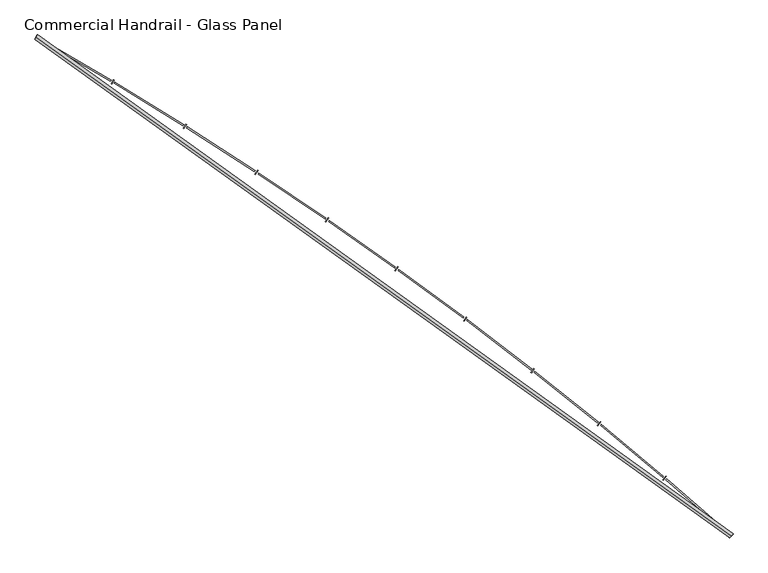
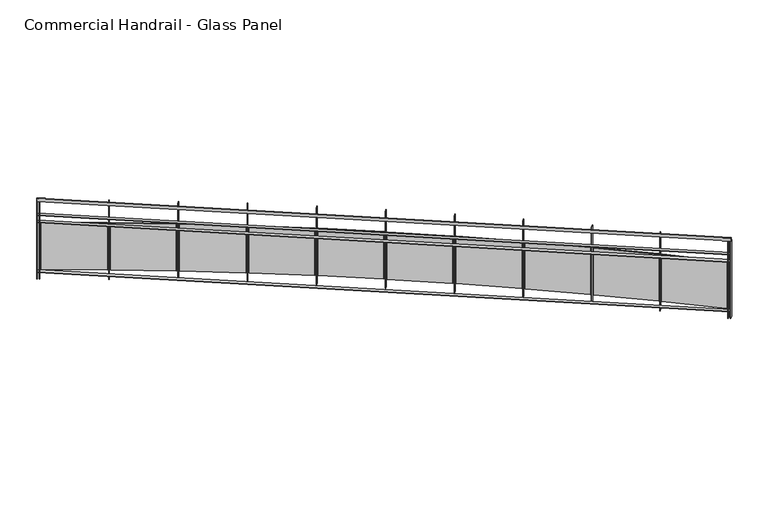
"""IFC4 building model written with IfcOpenShell, lengths in millimetres: railing geometry, Commercial Handrail - Glass Panel."""

from ifc_helpers import new_model, si_unit, point, frame, origin, place, context, project, spatial, polyline, circle_curve, ellipse_curve, trimmed, outline, extrude, source, transform, mapped, element, save
from ifc_brep_helpers import plane_surface, cylinder_surface, revolved_surface, advanced_brep


def commercial_handrail_glass_panel_4db1b75b(model_context):
    return source(origin(), model_context, "Body", "SolidModel", [
        advanced_brep(
        [(167549.0741026, -21421.502679, 33282.5), (161013.6212135, -16726.1286002, 33282.5), (161013.6212135, -16726.1286002, 33317.5), (167549.0741026, -21421.502679, 33317.5)],
        [
            (0, 1, circle_curve(frame((141448.4989992, -50854.6714836, 33282.5), z_axis=(0.0, 0.0, 1.0), x_axis=(0.4973475894068907, 0.8675513675346002, 0.0)), 39338.9304203)),
            (1, 2, ellipse_curve(frame((161013.6212135, -16726.1286002, 33300.0), z_axis=(0.8675513675345968, -0.4973475894068965, 0.0), x_axis=(-0.4973475894068965, -0.8675513675345968, 0.0)), 25.0, 17.5)),
            (2, 3, circle_curve(frame((141448.4989992, -50854.6714836, 33317.5), z_axis=(0.0, 0.0, -1.0), x_axis=(0.4973475894068907, 0.8675513675346002, 0.0)), 39338.9304203)),
            (3, 0, ellipse_curve(frame((167549.0741026, -21421.502679, 33300.0), z_axis=(-0.7481944346262088, 0.6634795309535689, 0.0), x_axis=(-0.6634795309535689, -0.7481944346262088, 0.0)), 25.0, 17.5)),
            (2, 1, ellipse_curve(frame((161013.6212135, -16726.1286002, 33300.0), z_axis=(0.8675513675345968, -0.4973475894068965, 0.0), x_axis=(-0.4973475894068965, -0.8675513675345968, 0.0)), 25.0, 17.5)),
            (0, 3, ellipse_curve(frame((167549.0741026, -21421.502679, 33300.0), z_axis=(-0.7481944346262088, 0.6634795309535689, 0.0), x_axis=(-0.6634795309535689, -0.7481944346262088, 0.0)), 25.0, 17.5)),
        ],
        [
            revolved_surface(trimmed(ellipse_curve(frame((161013.6212135, -16726.1286002, 33300.0), z_axis=(-0.8675513675346002, 0.4973475894068907, 0.0), x_axis=(0.0, 0.0, -1.0)), 17.5, 25.0), [point((161013.6212135, -16726.1286002, 33317.5))], [point((161013.6212135, -16726.1286002, 33282.5))], True, "CARTESIAN"), (141448.4989992, -50854.6714836, 33300.0), (0.0, 0.0, -1.0)),
            revolved_surface(trimmed(ellipse_curve(frame((161013.6212135, -16726.1286002, 33300.0), z_axis=(-0.8675513675346002, 0.4973475894068907, 0.0), x_axis=(0.0, 0.0, -1.0)), 17.5, 25.0), [point((161013.6212135, -16726.1286002, 33282.5))], [point((161013.6212135, -16726.1286002, 33317.5))], True, "CARTESIAN"), (141448.4989992, -50854.6714836, 33300.0), (0.0, 0.0, -1.0)),
            plane_surface(frame((161013.6212135, -16726.1286002, 33300.0), z_axis=(-0.8675513675346002, 0.4973475894068907, 0.0), x_axis=(0.4973475894068907, 0.8675513675346002, 0.0))),
            plane_surface(frame((167549.0741026, -21421.502679, 33300.0), z_axis=(0.7481944346262088, -0.663479530953569, 0.0), x_axis=(0.663479530953569, 0.7481944346262088, 0.0))),
        ],
        [
            (0, [[1, 2, 3, 4]]),
            (1, [[-3, 5, -1, 6]]),
            (2, [[-2, -5]]),
            (3, [[-6, -4]]),
        ],
    ),
        advanced_brep(
        [(167564.0023921, -21404.6683042, 33100.0), (161024.8115343, -16706.6086944, 33100.0), (161002.4308928, -16745.6485059, 33100.0), (167534.1458132, -21438.3370538, 33100.0), (167564.0023921, -21404.6683042, 33094.0), (161024.8115343, -16706.6086944, 33094.0), (167534.1458132, -21438.3370538, 33094.0), (161002.4308928, -16745.6485059, 33094.0)],
        [
            (0, 1, circle_curve(frame((141448.4989992, -50854.6714836, 33100.0), z_axis=(0.0, 0.0, 1.0), x_axis=(0.4973475894068907, 0.8675513675346002, 0.0)), 39361.4304203)),
            (1, 2),
            (2, 3, circle_curve(frame((141448.4989992, -50854.6714836, 33100.0), z_axis=(0.0, 0.0, -1.0), x_axis=(0.4973475894068907, 0.8675513675346002, 0.0)), 39316.4304203)),
            (3, 0),
            (4, 5, circle_curve(frame((141448.4989992, -50854.6714836, 33094.0), z_axis=(0.0, 0.0, 1.0), x_axis=(0.4973475894068907, 0.8675513675346002, 0.0)), 39361.4304203)),
            (5, 1),
            (0, 4),
            (6, 7, circle_curve(frame((141448.4989992, -50854.6714836, 33094.0), z_axis=(0.0, 0.0, 1.0), x_axis=(0.4973475894068907, 0.8675513675346002, 0.0)), 39316.4304203)),
            (7, 5),
            (4, 6),
            (2, 7),
            (6, 3),
        ],
        [
            plane_surface(frame((141448.4989992, -50854.6714836, 33100.0), z_axis=(0.0, 0.0, 1.0), x_axis=(0.4973475894068907, 0.8675513675346002, 0.0))),
            cylinder_surface(frame((141448.4989992, -50854.6714836, 33100.0), z_axis=(0.0, 0.0, -1.0), x_axis=(0.4973475894068907, 0.8675513675346002, 0.0)), 39361.4304203),
            plane_surface(frame((141448.4989992, -50854.6714836, 33094.0), z_axis=(0.0, 0.0, -1.0), x_axis=(0.4973475894068907, 0.8675513675346002, 0.0))),
            revolved_surface(polyline([(161002.43089281995, -16745.64850588978, 33094.0), (161002.43089281995, -16745.64850588978, 33100.0)]), (141448.4989992, -50854.6714836, 33100.0), (0.0, 0.0, -1.0)),
            plane_surface(frame((161013.6212135, -16726.1286002, 33100.0), z_axis=(-0.8675513675346002, 0.4973475894068907, 0.0), x_axis=(0.4973475894068907, 0.8675513675346002, 0.0))),
            plane_surface(frame((167549.0741026, -21421.502679, 33100.0), z_axis=(0.7481944346262088, -0.663479530953569, 0.0), x_axis=(0.663479530953569, 0.7481944346262088, 0.0))),
        ],
        [
            (0, [[1, 2, 3, 4]]),
            (1, [[5, 6, -1, 7]]),
            (2, [[8, 9, -5, 10]]),
            (3, [[-3, 11, -8, 12]]),
            (4, [[-2, -6, -9, -11]]),
            (5, [[-12, -10, -7, -4]]),
        ],
    ),
        advanced_brep(
        [(167564.0023921, -21404.6683042, 33000.0), (161024.8115343, -16706.6086944, 33000.0), (161002.4308928, -16745.6485059, 33000.0), (167534.1458132, -21438.3370538, 33000.0), (167564.0023921, -21404.6683042, 32994.0), (161024.8115343, -16706.6086944, 32994.0), (167534.1458132, -21438.3370538, 32994.0), (161002.4308928, -16745.6485059, 32994.0)],
        [
            (0, 1, circle_curve(frame((141448.4989992, -50854.6714836, 33000.0), z_axis=(0.0, 0.0, 1.0), x_axis=(0.4973475894068907, 0.8675513675346002, 0.0)), 39361.4304203)),
            (1, 2),
            (2, 3, circle_curve(frame((141448.4989992, -50854.6714836, 33000.0), z_axis=(0.0, 0.0, -1.0), x_axis=(0.4973475894068907, 0.8675513675346002, 0.0)), 39316.4304203)),
            (3, 0),
            (4, 5, circle_curve(frame((141448.4989992, -50854.6714836, 32994.0), z_axis=(0.0, 0.0, 1.0), x_axis=(0.4973475894068907, 0.8675513675346002, 0.0)), 39361.4304203)),
            (5, 1),
            (0, 4),
            (6, 7, circle_curve(frame((141448.4989992, -50854.6714836, 32994.0), z_axis=(0.0, 0.0, 1.0), x_axis=(0.4973475894068907, 0.8675513675346002, 0.0)), 39316.4304203)),
            (7, 5),
            (4, 6),
            (2, 7),
            (6, 3),
        ],
        [
            plane_surface(frame((141448.4989992, -50854.6714836, 33000.0), z_axis=(0.0, 0.0, 1.0), x_axis=(0.4973475894068907, 0.8675513675346002, 0.0))),
            cylinder_surface(frame((141448.4989992, -50854.6714836, 33000.0), z_axis=(0.0, 0.0, -1.0), x_axis=(0.4973475894068907, 0.8675513675346002, 0.0)), 39361.4304203),
            plane_surface(frame((141448.4989992, -50854.6714836, 32994.0), z_axis=(0.0, 0.0, -1.0), x_axis=(0.4973475894068907, 0.8675513675346002, 0.0))),
            revolved_surface(polyline([(161002.43089281995, -16745.64850588978, 32994.0), (161002.43089281995, -16745.64850588978, 33000.0)]), (141448.4989992, -50854.6714836, 33000.0), (0.0, 0.0, -1.0)),
            plane_surface(frame((161013.6212135, -16726.1286002, 33000.0), z_axis=(-0.8675513675346002, 0.4973475894068907, 0.0), x_axis=(0.4973475894068907, 0.8675513675346002, 0.0))),
            plane_surface(frame((167549.0741026, -21421.502679, 33000.0), z_axis=(0.7481944346262088, -0.663479530953569, 0.0), x_axis=(0.663479530953569, 0.7481944346262088, 0.0))),
        ],
        [
            (0, [[1, 2, 3, 4]]),
            (1, [[5, 6, -1, 7]]),
            (2, [[8, 9, -5, 10]]),
            (3, [[-3, 11, -8, 12]]),
            (4, [[-2, -6, -9, -11]]),
            (5, [[-12, -10, -7, -4]]),
        ],
    ),
        advanced_brep(
        [(167564.0023921, -21404.6683042, 32300.0), (161024.8115343, -16706.6086944, 32300.0), (161002.4308928, -16745.6485059, 32300.0), (167534.1458132, -21438.3370538, 32300.0), (167564.0023921, -21404.6683042, 32294.0), (161024.8115343, -16706.6086944, 32294.0), (167534.1458132, -21438.3370538, 32294.0), (161002.4308928, -16745.6485059, 32294.0)],
        [
            (0, 1, circle_curve(frame((141448.4989992, -50854.6714836, 32300.0), z_axis=(0.0, 0.0, 1.0), x_axis=(0.4973475894068907, 0.8675513675346002, 0.0)), 39361.4304203)),
            (1, 2),
            (2, 3, circle_curve(frame((141448.4989992, -50854.6714836, 32300.0), z_axis=(0.0, 0.0, -1.0), x_axis=(0.4973475894068907, 0.8675513675346002, 0.0)), 39316.4304203)),
            (3, 0),
            (4, 5, circle_curve(frame((141448.4989992, -50854.6714836, 32294.0), z_axis=(0.0, 0.0, 1.0), x_axis=(0.4973475894068907, 0.8675513675346002, 0.0)), 39361.4304203)),
            (5, 1),
            (0, 4),
            (6, 7, circle_curve(frame((141448.4989992, -50854.6714836, 32294.0), z_axis=(0.0, 0.0, 1.0), x_axis=(0.4973475894068907, 0.8675513675346002, 0.0)), 39316.4304203)),
            (7, 5),
            (4, 6),
            (2, 7),
            (6, 3),
        ],
        [
            plane_surface(frame((141448.4989992, -50854.6714836, 32300.0), z_axis=(0.0, 0.0, 1.0), x_axis=(0.4973475894068907, 0.8675513675346002, 0.0))),
            cylinder_surface(frame((141448.4989992, -50854.6714836, 32300.0), z_axis=(0.0, 0.0, -1.0), x_axis=(0.4973475894068907, 0.8675513675346002, 0.0)), 39361.4304203),
            plane_surface(frame((141448.4989992, -50854.6714836, 32294.0), z_axis=(0.0, 0.0, -1.0), x_axis=(0.4973475894068907, 0.8675513675346002, 0.0))),
            revolved_surface(polyline([(161002.43089281995, -16745.64850588978, 32294.0), (161002.43089281995, -16745.64850588978, 32300.0)]), (141448.4989992, -50854.6714836, 32300.0), (0.0, 0.0, -1.0)),
            plane_surface(frame((161013.6212135, -16726.1286002, 32300.0), z_axis=(-0.8675513675346002, 0.4973475894068907, 0.0), x_axis=(0.4973475894068907, 0.8675513675346002, 0.0))),
            plane_surface(frame((167549.0741026, -21421.502679, 32300.0), z_axis=(0.7481944346262088, -0.663479530953569, 0.0), x_axis=(0.663479530953569, 0.7481944346262088, 0.0))),
        ],
        [
            (0, [[1, 2, 3, 4]]),
            (1, [[5, 6, -1, 7]]),
            (2, [[8, 9, -5, 10]]),
            (3, [[-3, 11, -8, 12]]),
            (4, [[-2, -6, -9, -11]]),
            (5, [[-12, -10, -7, -4]]),
        ],
    ),
        extrude(outline(polyline([(167508.9444824, -21416.0082801), (167538.7747877, -21382.3162501), (167543.2670583, -21386.2936241), (167513.436753, -21419.9856541), (167508.9444824, -21416.0082801)])), frame((0.0, 0.0, 32200.0), z_axis=(0.0, 0.0, 1.0), x_axis=(1.0, 0.0, 0.0)), (0.0, 0.0, 1.0), 1082.1192282),
        extrude(outline(polyline([(166942.1525945, -20883.992877), (167516.2667104, -21381.9818146), (167508.4037272, -21391.0467743), (166934.2896113, -20893.0578368), (166942.1525945, -20883.992877)])), frame((0.0, 0.0, 32320.0), z_axis=(0.0, 0.0, 1.0), x_axis=(1.0, 0.0, 0.0)), (0.0, 0.0, 1.0), 660.0),
        extrude(outline(polyline([(166904.9299151, -20892.1643286), (166934.0689354, -20857.8726752), (166938.6411559, -20861.7578779), (166909.5021355, -20896.0495313), (166904.9299151, -20892.1643286)])), frame((0.0, 0.0, 32200.0), z_axis=(0.0, 0.0, 1.0), x_axis=(1.0, 0.0, 0.0)), (0.0, 0.0, 1.0), 1082.1192282),
        extrude(outline(polyline([(166327.4368564, -20371.7844669), (166911.5587116, -20857.9960035), (166903.8816873, -20867.2189802), (166319.7598321, -20381.0074436), (166327.4368564, -20371.7844669)])), frame((0.0, 0.0, 32320.0), z_axis=(0.0, 0.0, 1.0), x_axis=(1.0, 0.0, 0.0)), (0.0, 0.0, 1.0), 660.0),
        extrude(outline(polyline([(166290.3880375, -20380.7111404), (166318.8237226, -20345.8340446), (166323.4740021, -20349.6254693), (166295.0383169, -20384.5025651), (166290.3880375, -20380.7111404)])), frame((0.0, 0.0, 32200.0), z_axis=(0.0, 0.0, 1.0), x_axis=(1.0, 0.0, 0.0)), (0.0, 0.0, 1.0), 1082.1192282),
        extrude(outline(polyline([(165702.4326258, -19872.1820192), (166296.3206611, -20346.4150858), (166288.8327706, -20355.7922653), (165694.9447352, -19881.5591987), (165702.4326258, -19872.1820192)])), frame((0.0, 0.0, 32320.0), z_axis=(0.0, 0.0, 1.0), x_axis=(1.0, 0.0, 0.0)), (0.0, 0.0, 1.0), 660.0),
        extrude(outline(polyline([(165665.5729886, -19881.860223), (165693.2935792, -19846.4121081), (165698.0199946, -19850.1081868), (165670.2994039, -19885.5563018), (165665.5729886, -19881.860223)])), frame((0.0, 0.0, 32200.0), z_axis=(0.0, 0.0, 1.0), x_axis=(1.0, 0.0, 0.0)), (0.0, 0.0, 1.0), 1082.1192282),
        extrude(outline(polyline([(165067.3983683, -19385.3921406), (165670.8069859, -19847.4506219), (165663.5113257, -19856.9781264), (165060.102708, -19394.9196451), (165067.3983683, -19385.3921406)])), frame((0.0, 0.0, 32320.0), z_axis=(0.0, 0.0, 1.0), x_axis=(1.0, 0.0, 0.0)), (0.0, 0.0, 1.0), 660.0),
        extrude(outline(polyline([(165030.7431559, -19395.8178725), (165057.7371883, -19359.8133976), (165062.537785, -19363.412602), (165035.5437525, -19399.4170768), (165030.7431559, -19395.8178725)])), frame((0.0, 0.0, 32200.0), z_axis=(0.0, 0.0, 1.0), x_axis=(1.0, 0.0, 0.0)), (0.0, 0.0, 1.0), 1082.1192282),
        extrude(outline(polyline([(164422.5966974, -18911.6161393), (165035.2763625, -19361.3089545), (165028.1759496, -19370.982844), (164415.4962846, -18921.2900288), (164422.5966974, -18911.6161393)])), frame((0.0, 0.0, 32320.0), z_axis=(0.0, 0.0, 1.0), x_axis=(1.0, 0.0, 0.0)), (0.0, 0.0, 1.0), 660.0),
        extrude(outline(polyline([(164386.1610683, -18922.7850878), (164412.4173794, -18886.2391424), (164417.2901721, -18889.7399839), (164391.033861, -18926.2859293), (164386.1610683, -18922.7850878)])), frame((0.0, 0.0, 32200.0), z_axis=(0.0, 0.0, 1.0), x_axis=(1.0, 0.0, 0.0)), (0.0, 0.0, 1.0), 1082.1192282),
        extrude(outline(polyline([(163768.294266, -18451.0499418), (164389.9916095, -18888.1911239), (164383.0893803, -18898.0073978), (163761.3920368, -18460.8662157), (163768.294266, -18451.0499418)])), frame((0.0, 0.0, 32320.0), z_axis=(0.0, 0.0, 1.0), x_axis=(1.0, 0.0, 0.0)), (0.0, 0.0, 1.0), 660.0),
        extrude(outline(polyline([(163732.0932877, -18462.957488), (163757.6010195, -18425.8851854), (163762.5439932, -18429.2862163), (163737.0362614, -18466.3585189), (163732.0932877, -18462.957488)])), frame((0.0, 0.0, 32200.0), z_axis=(0.0, 0.0, 1.0), x_axis=(1.0, 0.0, 0.0)), (0.0, 0.0, 1.0), 1082.1192282),
        extrude(outline(polyline([(163104.7616557, -18003.8840116), (163735.2195795, -18428.2927843), (163728.5183883, -18438.2473831), (163098.0604645, -18013.8386104), (163104.7616557, -18003.8840116)])), frame((0.0, 0.0, 32320.0), z_axis=(0.0, 0.0, 1.0), x_axis=(1.0, 0.0, 0.0)), (0.0, 0.0, 1.0), 660.0),
        extrude(outline(polyline([(163068.810299, -18016.5252312), (163093.5589027, -17978.9419023), (163098.5700133, -17982.2417162), (163073.8214095, -18019.8250451), (163068.810299, -18016.5252312)])), frame((0.0, 0.0, 32200.0), z_axis=(0.0, 0.0, 1.0), x_axis=(1.0, 0.0, 0.0)), (0.0, 0.0, 1.0), 1082.1192282),
        extrude(outline(polyline([(162432.2732653, -17570.3032708), (163071.2310484, -17981.8041231), (163064.7336665, -17991.8929302), (162425.7758834, -17580.3920779), (162432.2732653, -17570.3032708)])), frame((0.0, 0.0, 32320.0), z_axis=(0.0, 0.0, 1.0), x_axis=(1.0, 0.0, 0.0)), (0.0, 0.0, 1.0), 660.0),
        extrude(outline(polyline([(162396.5863975, -17583.6729362), (162420.5656387, -17545.5941233), (162425.6428138, -17548.7913555), (162401.6635725, -17586.8701683), (162396.5863975, -17583.6729362)])), frame((0.0, 0.0, 32200.0), z_axis=(0.0, 0.0, 1.0), x_axis=(1.0, 0.0, 0.0)), (0.0, 0.0, 1.0), 1082.1192282),
        extrude(outline(polyline([(161751.1071971, -17150.4870233), (162398.3006035, -17548.9097821), (162392.0097178, -17559.1286254), (161744.8163114, -17160.7058665), (161751.1071971, -17150.4870233)])), frame((0.0, 0.0, 32320.0), z_axis=(0.0, 0.0, 1.0), x_axis=(1.0, 0.0, 0.0)), (0.0, 0.0, 1.0), 660.0),
        extrude(outline(polyline([(161715.6995763, -17164.5796055), (161738.8995386, -17126.0210558), (161744.0406785, -17129.1143841), (161720.8407163, -17167.6729338), (161715.6995763, -17164.5796055)])), frame((0.0, 0.0, 32200.0), z_axis=(0.0, 0.0, 1.0), x_axis=(1.0, 0.0, 0.0)), (0.0, 0.0, 1.0), 1082.1192282),
        extrude(outline(polyline([(161061.5451422, -16744.6088808), (161716.70653, -17129.7887816), (161710.6247421, -17140.1334351), (161055.4633543, -16754.9535343), (161061.5451422, -16744.6088808)])), frame((0.0, 0.0, 32320.0), z_axis=(0.0, 0.0, 1.0), x_axis=(1.0, 0.0, 0.0)), (0.0, 0.0, 1.0), 660.0),
        extrude(outline(polyline([(161026.431411, -16759.418552), (161048.8425001, -16720.3962112), (161054.0454789, -16723.3843564), (161031.6343898, -16762.4066972), (161026.431411, -16759.418552)])), frame((0.0, 0.0, 32200.0), z_axis=(0.0, 0.0, 1.0), x_axis=(1.0, 0.0, 0.0)), (0.0, 0.0, 1.0), 1082.1192282),
        extrude(outline(polyline([(167531.9012299, -21436.3466152), (167561.7578088, -21402.6778657), (167566.2469754, -21406.6587428), (167536.3903965, -21440.3274924), (167531.9012299, -21436.3466152)])), frame((0.0, 0.0, 32200.0), z_axis=(0.0, 0.0, 1.0), x_axis=(1.0, 0.0, 0.0)), (0.0, 0.0, 1.0), 1082.1192282),
        extrude(outline(polyline([(160999.8282387, -16744.1564632), (161022.2088802, -16705.1166516), (161027.4141884, -16708.1007372), (161005.0335469, -16747.1405487), (160999.8282387, -16744.1564632)])), frame((0.0, 0.0, 32200.0), z_axis=(0.0, 0.0, 1.0), x_axis=(1.0, 0.0, 0.0)), (0.0, 0.0, 1.0), 1082.1192282),
    ])


if __name__ == "__main__":
    model = new_model("IFC4")
    model_context = context("Model", 3, world=origin())
    ifc_project = project(units=[si_unit("LENGTHUNIT", "METRE", prefix="MILLI")], contexts=[model_context])
    site = spatial("IfcSite", under=ifc_project)
    building = spatial("IfcBuilding", under=site)
    placement = place(None, origin())
    commercial_handrail_glass_panel_shape = commercial_handrail_glass_panel_4db1b75b(model_context)
    element("IfcRailing", 1, ObjectType="Commercial Handrail - Glass Panel", at=placement, inside=building, context=model_context, shape_type="MappedRepresentation", body=[
        mapped(commercial_handrail_glass_panel_shape, transform((0.0, 0.0, 0.0), x_axis=(1.0, 0.0, 0.0), y_axis=(0.0, 1.0, 0.0), z_axis=(0.0, 0.0, 1.0))),
    ])
    save(model, "model.ifc")
